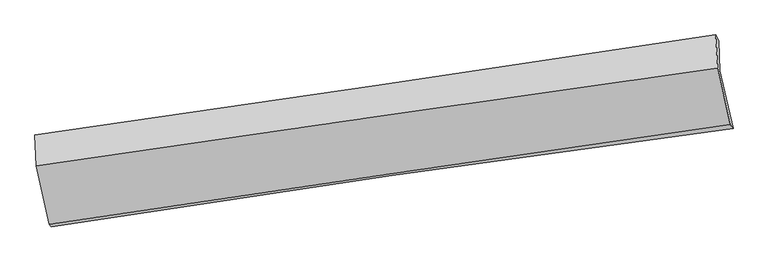
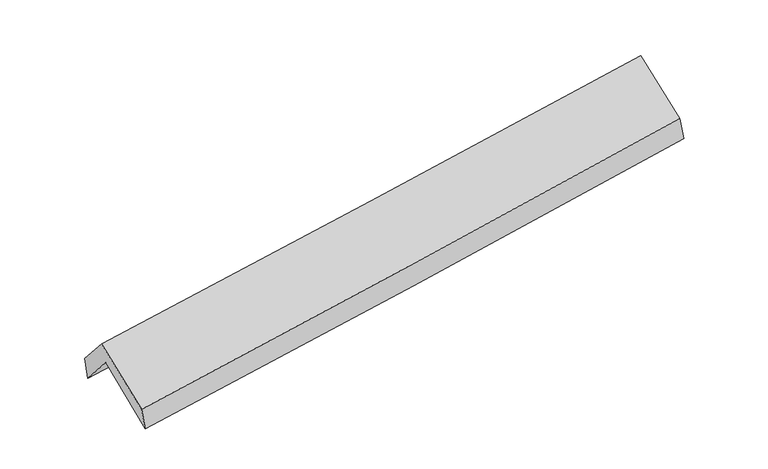
"""IFC4 building model written with IfcOpenShell, lengths in millimetres: proxy geometry."""

from ifc_helpers import new_model, si_unit, frame, origin, place, context, project, spatial, source, transform, mapped, element, save
from ifc_brep_helpers import plane_surface, spline_curve, spline_surface, advanced_brep


def generic_models_92e97ef7(model_context):
    return source(origin(), model_context, "Body", "AdvancedBrep", [
        advanced_brep(
        [(-2862.1831936, -2517.9926254, 1442.9114946), (-2971.7549594, -2022.9397266, 1885.1970626), (2911.8302749, -1165.516551, 2375.9169091), (3025.4001568, -1666.5733802, 1941.7042692), (-2984.8625527, -1738.2093596, 1550.8813224), (2899.7875244, -903.591664, 2068.317045), (-3005.180831, -1719.8872291, 1759.0644788), (2875.1615178, -854.6727364, 2263.633925), (-2992.0871263, -1989.7528351, 2068.0195919), (2893.0633816, -1143.1745259, 2550.0642682), (-2882.7241783, -2494.2838466, 1644.4718952), (3002.6547489, -1631.799555, 2139.7362638)],
        [
            (0, 1),
            (1, 2, spline_curve(3, [(-2971.7549594, -2022.9397266, 1885.1970626), (-1990.632191642, -1867.629305121, 1937.458366775), (-1009.848691118, -1718.532369303, 2004.473633141), (951.346599195, -1432.720754846, 2168.037679609), (1931.758176859, -1296.009965446, 2264.595695203), (2911.8302749, -1165.516551, 2375.9169091)], [4, 2, 4], [0.0, 9.789463022232955, 19.581989593556735])),
            (2, 3),
            (3, 0, spline_curve(3, [(3025.4001568, -1666.5733802, 1941.7042692), (2043.755749476, -1793.223175087, 1835.973293403), (1062.224859366, -1927.511971397, 1741.537004589), (-900.302852835, -2211.323165513, 1575.279812497), (-1881.29974656, -2360.840784064, 1503.451842938), (-2862.1831936, -2517.9926254, 1442.9114946)], [4, 2, 4], [0.0, 9.79252657132378, 19.581989593556735])),
            (1, 4),
            (4, 5, spline_curve(3, [(-2984.8625527, -1738.2093596, 1550.8813224), (-2003.210277322, -1594.301470398, 1616.499565078), (-1022.073271975, -1452.806554781, 1692.419971853), (939.477076, -1174.599146025, 1864.892097142), (1919.890096696, -1037.888162828, 1961.450264275), (2899.7875244, -903.591664, 2068.317045)], [4, 2, 4], [0.0, 9.786165855261691, 19.575394227787143])),
            (5, 2),
            (4, 6),
            (6, 7, spline_curve(3, [(-3005.180831, -1719.8872291, 1759.0644788), (-2023.133957719, -1581.06034314, 1826.920454392), (-1042.158488207, -1439.557390856, 1902.88804855), (917.956298842, -1151.154235453, 2071.072785896), (1897.094945406, -1004.252356445, 2163.295007355), (2875.1615178, -854.6727364, 2263.633925)], [4, 2, 4], [0.0, 9.784822922972003, 19.572707942945797])),
            (7, 5),
            (6, 8),
            (8, 9, spline_curve(3, [(-2992.0871263, -1989.7528351, 2068.0195919), (-2010.938866912, -1845.666212232, 2137.16234749), (-1030.012219704, -1703.085509708, 2211.896955387), (931.704754997, -1420.891797253, 2372.575014059), (1912.494943968, -1281.279730131, 2458.521964743), (2893.0633816, -1143.1745259, 2550.0642682)], [4, 2, 4], [0.0, 9.784000582072572, 19.571063003800674])),
            (9, 7),
            (8, 10),
            (10, 11, spline_curve(3, [(-2882.7241783, -2494.2838466, 1644.4718952), (-1901.468375738, -2347.255029886, 1716.057550095), (-920.468919447, -2201.877916171, 1793.115095054), (1041.324216656, -1914.382118692, 1958.199792399), (2022.117736362, -1772.264468146, 2046.23037034), (3002.6547489, -1631.799555, 2139.7362638)], [4, 2, 4], [0.0, 9.787083656206978, 19.57723011689758])),
            (11, 9),
            (10, 0),
            (3, 11),
        ],
        [
            spline_surface(3, 3, [[(-2862.1831936, -2517.9926254, 1442.9114946), (-1881.299746548, -2360.840784189, 1503.45184282), (-900.302852969, -2211.323165442, 1575.279812395), (1062.2248595, -1927.511971467, 1741.537004691), (2043.755749352, -1793.223175147, 1835.97329336), (3025.4001568, -1666.5733802, 1941.7042692)], [(-2898.707115533, -2352.974992469, 1590.340017251), (-1917.743894939, -2196.436957875, 1648.120684121), (-936.818132383, -2047.059566785, 1718.344419309), (1025.265439425, -1762.581565887, 1883.70389631), (2006.423225177, -1627.485438534, 1978.847427364), (2987.543529496, -1499.554437142, 2086.441815843)], [(-2935.231037467, -2187.957359531, 1737.768539949), (-1954.188043332, -2032.033131552, 1792.78952547), (-973.333411792, -1882.795968103, 1861.409026256), (988.306019357, -1597.651160283, 2025.870787962), (1969.090701014, -1461.747701896, 2121.721561339), (2949.686902204, -1332.535494058, 2231.179362457)], [(-2971.7549594, -2022.9397266, 1885.1970626), (-1990.632191724, -1867.629305238, 1937.458366771), (-1009.848691206, -1718.532369446, 2004.47363317), (951.346599283, -1432.720754703, 2168.037679581), (1931.758176839, -1296.009965283, 2264.595695342), (2911.8302749, -1165.516551, 2375.9169091)]], [4, 4], [4, 2, 4], [0.0, 2.173861628697069], [0.0, 9.789463022232955, 19.581989593556735]),
            spline_surface(3, 3, [[(-2971.7549594, -2022.9397266, 1885.1970626), (-1990.632191724, -1867.629305238, 1937.458366771), (-1009.848691206, -1718.532369446, 2004.47363317), (951.346599283, -1432.720754703, 2168.037679581), (1931.758176839, -1296.009965283, 2264.595695342), (2911.8302749, -1165.516551, 2375.9169091)], [(-2976.124157145, -1928.02960426, 1773.758482552), (-1994.82488686, -1776.520026986, 1830.472099534), (-1013.92355152, -1629.957097912, 1900.4557461), (947.390091559, -1346.680218419, 2066.989152099), (1927.802150156, -1209.96936451, 2163.547218363), (2907.816024747, -1078.208255347, 2273.383621059)], [(-2980.493354955, -1833.11948194, 1662.319902448), (-1999.017582062, -1685.410748753, 1723.485832243), (-1017.998411802, -1541.381826434, 1796.43785898), (943.433583865, -1260.639682191, 1965.940624568), (1923.846123432, -1123.928763697, 2062.498741409), (2903.801774553, -990.899959653, 2170.850333041)], [(-2984.8625527, -1738.2093596, 1550.8813224), (-2003.210277198, -1594.301470501, 1616.499565007), (-1022.073272116, -1452.8065549, 1692.41997191), (939.477076141, -1174.599145907, 1864.892097086), (1919.890096749, -1037.888162923, 1961.45026443), (2899.7875244, -903.591664, 2068.317045)]], [4, 4], [4, 2, 4], [0.0, 1.3260650302132095], [0.0, 9.786165855261691, 19.575394227787143]),
            spline_surface(3, 3, [[(-2984.8625527, -1738.2093596, 1550.8813224), (-2003.210277198, -1594.301470501, 1616.499565007), (-1022.073272116, -1452.8065549, 1692.41997191), (939.477076141, -1174.599145907, 1864.892097086), (1919.890096749, -1037.888162923, 1961.45026443), (2899.7875244, -903.591664, 2068.317045)], [(-2991.635312149, -1732.10198277, 1620.275707857), (-2009.851504078, -1589.887761346, 1686.639861418), (-1028.768344104, -1448.390166947, 1762.575997401), (932.303483715, -1166.784175715, 1933.618993406), (1912.291712951, -1026.676227402, 2028.731845415), (2891.578855507, -887.285354789, 2133.422671692)], [(-2998.408071551, -1725.99460593, 1689.670093343), (-2016.492730909, -1585.474052182, 1756.780157859), (-1035.463416166, -1443.973778963, 1832.732022901), (925.129891215, -1158.969205491, 2002.345889733), (1904.693329231, -1015.464291914, 2096.013426323), (2883.370186693, -870.979045611, 2198.528298308)], [(-3005.180831, -1719.8872291, 1759.0644788), (-2023.133957788, -1581.060343027, 1826.920454271), (-1042.158488154, -1439.557391011, 1902.888048393), (917.956298789, -1151.154235299, 2071.072786053), (1897.094945433, -1004.252356393, 2163.295007307), (2875.1615178, -854.6727364, 2263.633925)]], [4, 4], [4, 2, 4], [0.0, 0.6895090369788753], [0.0, 9.784822922972003, 19.572707942945797]),
            spline_surface(3, 3, [[(-3005.180831, -1719.8872291, 1759.0644788), (-2023.133957788, -1581.060343027, 1826.920454271), (-1042.158488154, -1439.557391011, 1902.888048393), (917.956298789, -1151.154235299, 2071.072786053), (1897.094945433, -1004.252356393, 2163.295007307), (2875.1615178, -854.6727364, 2263.633925)], [(-3000.816262763, -1809.842431094, 1862.049516484), (-2019.068927445, -1669.2622994, 1930.334418686), (-1038.109732001, -1527.400097228, 2005.89101743), (922.539117524, -1241.066755949, 2171.573528656), (1902.228278256, -1096.594814251, 2261.703993074), (2881.128805736, -950.839999552, 2359.110706044)], [(-2996.451694537, -1899.797633106, 1965.034554216), (-2015.003897112, -1757.464255793, 2033.748383147), (-1034.06097585, -1615.24280347, 2108.893986507), (927.121936255, -1330.979276623, 2272.074271298), (1907.361611074, -1188.937272155, 2360.112978908), (2887.096093664, -1047.007262748, 2454.587487156)], [(-2992.0871263, -1989.7528351, 2068.0195919), (-2010.938866769, -1845.666212167, 2137.162347562), (-1030.012219697, -1703.085509687, 2211.896955545), (931.70475499, -1420.891797273, 2372.575013901), (1912.494943897, -1281.279730014, 2458.521964674), (2893.0633816, -1143.1745259, 2550.0642682)]], [4, 4], [4, 2, 4], [0.0, 1.3304259856907428], [0.0, 9.784000582072572, 19.571063003800674]),
            spline_surface(3, 3, [[(-2992.0871263, -1989.7528351, 2068.0195919), (-2010.938866769, -1845.666212167, 2137.162347562), (-1030.012219697, -1703.085509687, 2211.896955545), (931.70475499, -1420.891797273, 2372.575013901), (1912.494943897, -1281.279730014, 2458.521964674), (2893.0633816, -1143.1745259, 2550.0642682)], [(-2955.632810313, -2157.92983895, 1926.83702636), (-1974.448703062, -2012.862484707, 1996.794081721), (-993.497786328, -1869.349645249, 2072.303002034), (968.244575538, -1585.388571039, 2234.449940116), (1949.035874715, -1444.941309383, 2321.091433254), (2929.593837382, -1306.049535621, 2413.288266743)], [(-2919.178494287, -2326.10684275, 1785.65446074), (-1937.958539316, -2180.058757198, 1856.425815799), (-956.983352877, -2035.613780771, 1932.70904847), (1004.784396168, -1749.885344765, 2096.324866278), (1985.576805487, -1608.602888689, 2183.660901804), (2966.124293118, -1468.924545279, 2276.512265257)], [(-2882.7241783, -2494.2838466, 1644.4718952), (-1901.468375609, -2347.255029739, 1716.057549958), (-920.468919508, -2201.877916333, 1793.11509496), (1041.324216716, -1914.382118531, 1958.199792493), (2022.117736305, -1772.264468057, 2046.230370383), (3002.6547489, -1631.799555, 2139.7362638)]], [4, 4], [4, 2, 4], [0.0, 2.1556406888058492], [0.0, 9.787083656206978, 19.57723011689758]),
            spline_surface(3, 3, [[(-2882.7241783, -2494.2838466, 1644.4718952), (-1901.468375609, -2347.255029739, 1716.057549958), (-920.468919508, -2201.877916333, 1793.11509496), (1041.324216716, -1914.382118531, 1958.199792493), (2022.117736305, -1772.264468057, 2046.230370383), (3002.6547489, -1631.799555, 2139.7362638)], [(-2875.877183397, -2502.186772857, 1577.285094996), (-1894.745499252, -2351.783614546, 1645.188980908), (-913.746897314, -2205.026332697, 1720.503334097), (1048.291097658, -1918.758736171, 1885.978863218), (2029.330407319, -1779.250703738, 1976.144678028), (3010.236551532, -1643.390830051, 2073.725598919)], [(-2869.030188503, -2510.089699143, 1510.098294804), (-1888.022622905, -2356.312199382, 1574.320411869), (-907.024875163, -2208.174749078, 1647.891573257), (1055.257978558, -1923.135353827, 1813.757933966), (2036.543078338, -1786.236939466, 1906.058985715), (3017.818354168, -1654.982105149, 2007.714934081)], [(-2862.1831936, -2517.9926254, 1442.9114946), (-1881.299746548, -2360.840784189, 1503.45184282), (-900.302852969, -2211.323165442, 1575.279812395), (1062.2248595, -1927.511971467, 1741.537004691), (2043.755749352, -1793.223175147, 1835.97329336), (3025.4001568, -1666.5733802, 1941.7042692)]], [4, 4], [4, 2, 4], [0.0, 0.7168924855996515], [0.0, 9.791085552561883, 19.585235161974953]),
            plane_surface(frame((2934.6496007, -1227.5547354, 2223.22878), z_axis=(0.9851762039510223, 0.14772044522048036, 0.0872153497528792), x_axis=(0.16927780729593692, -0.7547435124602133, -0.6338037979976924))),
            plane_surface(frame((-2949.7988069, -2080.510937, 1725.0909743), z_axis=(-0.9861033116808612, -0.14356232252000328, -0.08360692701386113), x_axis=(-0.10069759454170288, 0.11622699814981545, 0.9881048928907283))),
        ],
        [
            (0, [[1, 2, 3, 4]]),
            (1, [[5, 6, 7, -2]]),
            (2, [[8, 9, 10, -6]]),
            (3, [[11, 12, 13, -9]]),
            (4, [[14, 15, 16, -12]]),
            (5, [[17, -4, 18, -15]]),
            (6, [[-16, -18, -3, -7, -10, -13]]),
            (7, [[-17, -14, -11, -8, -5, -1]]),
        ],
    ),
    ])


if __name__ == "__main__":
    model = new_model("IFC4")
    model_context = context("Model", 3, world=origin())
    ifc_project = project(units=[si_unit("LENGTHUNIT", "METRE", prefix="MILLI")], contexts=[model_context])
    site = spatial("IfcSite", under=ifc_project)
    building = spatial("IfcBuilding", under=site)
    placement = place(None, origin())
    generic_models_shape = generic_models_92e97ef7(model_context)
    element("IfcBuildingElementProxy", 1, Name="Generic Models", at=placement, inside=building, context=model_context, shape_type="MappedRepresentation", body=[
        mapped(generic_models_shape, transform((0.0, 0.0, 0.0), x_axis=(1.0, 0.0, 0.0), y_axis=(0.0, 1.0, 0.0), z_axis=(0.0, 0.0, 1.0))),
    ])
    save(model, "model.ifc")
